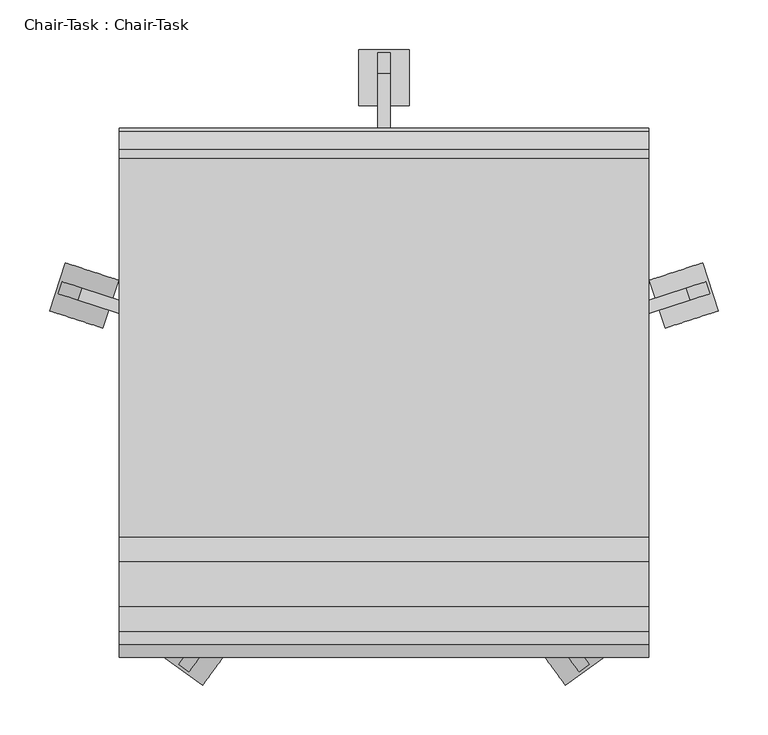
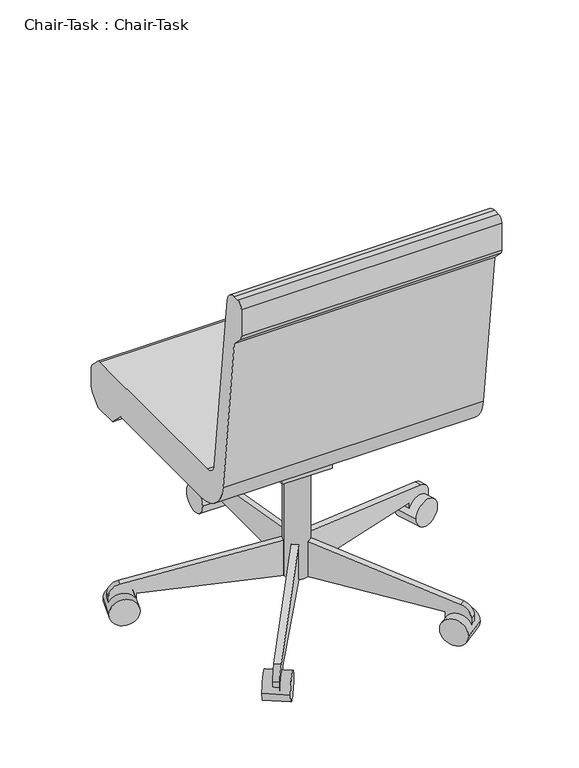
"""IFC4 building model written with IfcOpenShell, lengths in millimetres: furniture geometry, Chair-Task : Chair-Task."""

from ifc_helpers import new_model, si_unit, point, frame, frame_2d, origin, place, context, project, spatial, polyline, circle_curve, trimmed, segment, composite_curve, outline, extrude, source, transform, mapped, element, save


def chair_task_chair_task_b7f3823b(model_context):
    return source(origin(), model_context, "Body", "SweptSolid", [
        extrude(outline(composite_curve([segment(trimmed(circle_curve(frame_2d((140.9908197, 18.9459016)), 25.4), [point((115.5908197, 18.9459016))], [point((166.3908197, 18.9459016))], False, "CARTESIAN"), True, "CONTINUOUS"), segment(trimmed(circle_curve(frame_2d((140.9908197, 18.9459016)), 25.4), [point((166.3908197, 18.9459016))], [point((115.5908197, 18.9459016))], False, "CARTESIAN"), True, "CONTINUOUS")], self_intersect=False)), frame((0.0, 0.0, 53.5835944), z_axis=(0.0, 0.0, 1.0), x_axis=(1.0, 0.0, 0.0)), (0.0, 0.0, 1.0), 330.5914056),
        extrude(outline(composite_curve([segment(trimmed(circle_curve(frame_2d((0.0, -28.2002727)), 28.2002727), [point((0.0, -56.4005455))], [point((0.0, 0.0))], False, "CARTESIAN"), True, "CONTINUOUS"), segment(trimmed(circle_curve(frame_2d((0.0, -28.2002727)), 28.2002727), [point((0.0, 0.0))], [point((0.0, -56.4005455))], False, "CARTESIAN"), True, "CONTINUOUS")], self_intersect=False)), frame((477.6203484, 101.6163254, 28.1835944), z_axis=(-0.3090169943749423, 0.9510565162951553, 0.0), x_axis=(0.0, 0.0, 1.0)), (0.0, 0.0, 1.0), 50.8),
        extrude(outline(composite_curve([segment(polyline([(-25.4, 0.0), (0.0, 0.0), (0.0, -50.8), (-24.303053, -50.8)]), True, "CONTINUOUS"), segment(trimmed(circle_curve(frame_2d((-24.303053, -25.4)), 25.4), [point((-24.303053, -50.8))], [point((-49.3171699, -29.8106637))], False, "CARTESIAN"), True, "CONTINUOUS"), segment(polyline([(-49.3171699, -29.8106637), (-101.6, 266.7), (-101.6, 292.1), (-25.4, 292.1), (-25.4, 0.0)]), True, "CONTINUOUS")], self_intersect=False)), frame((420.756686, 103.1705568, 28.1835944), z_axis=(-0.3090169943749423, 0.9510565162951553, 0.0), x_axis=(0.0, 0.0, -1.0)), (0.0, 0.0, 1.0), 12.7),
        extrude(outline(composite_curve([segment(trimmed(circle_curve(frame_2d((0.0, -28.2002727)), 28.2002727), [point((0.0, -56.4005455))], [point((0.0, 0.0))], False, "CARTESIAN"), True, "CONTINUOUS"), segment(trimmed(circle_curve(frame_2d((0.0, -28.2002727)), 28.2002727), [point((0.0, 0.0))], [point((0.0, -56.4005455))], False, "CARTESIAN"), True, "CONTINUOUS")], self_intersect=False)), frame((323.63931, -275.6612394, 28.1835944), z_axis=(0.8090169943749499, 0.5877852522924699, 0.0), x_axis=(0.0, 0.0, 1.0)), (0.0, 0.0, 1.0), 50.8),
        extrude(outline(composite_curve([segment(polyline([(-25.4, 0.0), (0.0, 0.0), (0.0, -50.8), (-24.303053, -50.8)]), True, "CONTINUOUS"), segment(trimmed(circle_curve(frame_2d((-24.303053, -25.3999999)), 25.4), [point((-24.303053, -50.8))], [point((-49.3171699, -29.8106636))], False, "CARTESIAN"), True, "CONTINUOUS"), segment(polyline([(-49.3171699, -29.8106636), (-101.6, 266.7), (-101.6, 292.1), (-25.4, 292.1), (-25.4, 0.0)]), True, "CONTINUOUS")], self_intersect=False)), frame((307.545634, -221.1003988, 28.1835944), z_axis=(0.8090169943749499, 0.5877852522924699, 0.0), x_axis=(0.0, 0.0, -1.0)), (0.0, 0.0, 1.0), 12.7),
        extrude(outline(composite_curve([segment(trimmed(circle_curve(frame_2d((0.0, -28.2002727)), 28.2002727), [point((0.0, -56.4005455))], [point((0.0, 0.0))], False, "CARTESIAN"), True, "CONTINUOUS"), segment(trimmed(circle_curve(frame_2d((0.0, -28.2002727)), 28.2002727), [point((0.0, 0.0))], [point((0.0, -56.4005455))], False, "CARTESIAN"), True, "CONTINUOUS")], self_intersect=False)), frame((-41.6576707, -275.6612394, 28.1835944), z_axis=(-0.8090169943749458, 0.5877852522924754, 0.0), x_axis=(0.0, 0.0, -1.0)), (0.0, 0.0, 1.0), 50.8),
        extrude(outline(composite_curve([segment(polyline([(25.4, 0.0), (25.4, 292.1), (101.6, 292.1), (101.6, 266.7), (49.3171699, -29.8106637)]), True, "CONTINUOUS"), segment(trimmed(circle_curve(frame_2d((24.303053, -25.3999999)), 25.4), [point((49.3171699, -29.8106637))], [point((24.303053, -50.8))], False, "CARTESIAN"), True, "CONTINUOUS"), segment(polyline([(24.303053, -50.8), (0.0, -50.8), (0.0, 0.0), (25.4, 0.0)]), True, "CONTINUOUS")], self_intersect=False)), frame((-25.5639946, -221.1003988, 28.1835944), z_axis=(-0.8090169943749459, 0.5877852522924754, 0.0), x_axis=(0.0, 0.0, 1.0)), (0.0, 0.0, 1.0), 12.7),
        extrude(outline(composite_curve([segment(trimmed(circle_curve(frame_2d((0.0, -28.2002727)), 28.2002727), [point((0.0, -56.4005454))], [point((0.0, 0.0))], False, "CARTESIAN"), True, "CONTINUOUS"), segment(trimmed(circle_curve(frame_2d((0.0, -28.2002727)), 28.2002727), [point((0.0, 0.0))], [point((0.0, -56.4005454))], False, "CARTESIAN"), True, "CONTINUOUS")], self_intersect=False)), frame((-195.638709, 101.6163254, 28.1835944), z_axis=(0.3090169943749487, 0.9510565162951532, 0.0), x_axis=(0.0, 0.0, -1.0)), (0.0, 0.0, 1.0), 50.8),
        extrude(outline(composite_curve([segment(polyline([(25.4, 0.0), (25.4, 292.1000001), (101.6, 292.1000001), (101.6, 266.7), (49.3171699, -29.8106636)]), True, "CONTINUOUS"), segment(trimmed(circle_curve(frame_2d((24.303053, -25.4)), 25.4), [point((49.3171699, -29.8106636))], [point((24.303053, -50.8))], False, "CARTESIAN"), True, "CONTINUOUS"), segment(polyline([(24.303053, -50.8), (0.0, -50.8), (0.0, 0.0), (25.4, 0.0)]), True, "CONTINUOUS")], self_intersect=False)), frame((-138.7750467, 103.1705568, 28.1835944), z_axis=(0.3090169943749487, 0.9510565162951532, 0.0), x_axis=(0.0, 0.0, 1.0)), (0.0, 0.0, 1.0), 12.7),
        extrude(outline(composite_curve([segment(trimmed(circle_curve(frame_2d((336.4459016, 28.1835944)), 28.2002727), [point((308.2456289, 28.1835944))], [point((364.6461744, 28.1835944))], False, "CARTESIAN"), True, "CONTINUOUS"), segment(trimmed(circle_curve(frame_2d((336.4459016, 28.1835944)), 28.2002727), [point((364.6461744, 28.1835944))], [point((308.2456289, 28.1835944))], False, "CARTESIAN"), True, "CONTINUOUS")], self_intersect=False)), frame((115.5908197, 0.0, 0.0), z_axis=(1.0, 0.0, 0.0), x_axis=(0.0, 1.0, 0.0)), (0.0, 0.0, 1.0), 50.8),
        extrude(outline(composite_curve([segment(polyline([(311.0459016, 53.5835944), (18.9459016, 53.5835944), (18.9459016, 129.7835944), (44.3459016, 129.7835944), (340.8565654, 77.5007643)]), True, "CONTINUOUS"), segment(trimmed(circle_curve(frame_2d((336.4459016, 52.4866474)), 25.4), [point((340.8565654, 77.5007643))], [point((361.8459016, 52.4866474))], False, "CARTESIAN"), True, "CONTINUOUS"), segment(polyline([(361.8459016, 52.4866474), (361.8459016, 28.1835944), (311.0459016, 28.1835944), (311.0459016, 53.5835944)]), True, "CONTINUOUS")], self_intersect=False)), frame((134.6408197, 0.0, 0.0), z_axis=(1.0, 0.0, 0.0), x_axis=(0.0, 1.0, 0.0)), (0.0, 0.0, 1.0), 12.7),
        extrude(outline(polyline([(69.7459016, 383.7835944), (69.7459016, 371.0835944), (18.9459016, 283.0954134), (-19.1540984, 283.0954134), (-19.1540984, 383.7835944), (69.7459016, 383.7835944)])), frame((90.1908197, 0.0, 0.0), z_axis=(1.0, 0.0, 0.0), x_axis=(0.0, 1.0, 0.0)), (0.0, 0.0, 1.0), 101.6),
        extrude(outline(composite_curve([segment(polyline([(-126.2050455, 457.2), (255.0102301, 457.2)]), True, "CONTINUOUS"), segment(trimmed(circle_curve(frame_2d((255.0102301, 444.5)), 12.7), [point((255.0102301, 457.2))], [point((263.9604301, 453.510212))], False, "CARTESIAN"), True, "CONTINUOUS"), segment(polyline([(263.9604301, 453.510212), (281.8961016, 435.6939999)]), True, "CONTINUOUS"), segment(trimmed(circle_curve(frame_2d((272.9459016, 426.6837879)), 12.7), [point((281.8961016, 435.6939999))], [point((285.6459016, 426.6837879))], False, "CARTESIAN"), True, "CONTINUOUS"), segment(polyline([(285.6459016, 426.6837879), (285.6459016, 391.6405184)]), True, "CONTINUOUS"), segment(trimmed(circle_curve(frame_2d((260.2459016, 391.6405184)), 25.4), [point((285.6459016, 391.6405184))], [point((278.2663256, 373.7401184))], False, "CARTESIAN"), True, "CONTINUOUS"), segment(polyline([(278.2663256, 373.7401184), (260.2470284, 355.6), (209.4470284, 355.6), (181.0744602, 383.7835944), (-107.1089978, 383.7835944)]), True, "CONTINUOUS"), segment(trimmed(circle_curve(frame_2d((-107.1089978, 459.9835944)), 76.2), [point((-107.1089978, 383.7835944))], [point((-182.7870738, 451.0802913))], False, "CARTESIAN"), True, "CONTINUOUS"), segment(polyline([(-182.7870738, 451.0802913), (-222.3540984, 787.4), (-244.0343545, 809.0802561)]), True, "CONTINUOUS"), segment(trimmed(circle_curve(frame_2d((-235.0540984, 818.0605122)), 12.7), [point((-244.0343545, 809.0802561))], [point((-247.7540984, 818.0605122))], False, "CARTESIAN"), True, "CONTINUOUS"), segment(polyline([(-247.7540984, 818.0605122), (-247.7540984, 876.3)]), True, "CONTINUOUS"), segment(trimmed(circle_curve(frame_2d((-235.0540984, 876.3)), 12.7), [point((-247.7540984, 876.3))], [point((-235.0540984, 889.0))], False, "CARTESIAN"), True, "CONTINUOUS"), segment(polyline([(-235.0540984, 889.0), (-222.1789239, 889.0)]), True, "CONTINUOUS"), segment(trimmed(circle_curve(frame_2d((-222.1789239, 863.6)), 25.4), [point((-222.1789239, 889.0))], [point((-196.9528985, 866.5677677))], False, "CARTESIAN"), True, "CONTINUOUS"), segment(polyline([(-196.9528985, 866.5677677), (-151.4310708, 479.6322323)]), True, "CONTINUOUS"), segment(trimmed(circle_curve(frame_2d((-126.2050455, 482.6)), 25.4), [point((-151.4310708, 479.6322323))], [point((-126.2050455, 457.2))], True, "CARTESIAN"), True, "CONTINUOUS")], self_intersect=False)), frame((-125.7091803, 0.0, 0.0), z_axis=(1.0, 0.0, 0.0), x_axis=(0.0, 1.0, 0.0)), (0.0, 0.0, 1.0), 533.4),
    ])


if __name__ == "__main__":
    model = new_model("IFC4")
    model_context = context("Model", 3, world=origin())
    ifc_project = project(units=[si_unit("LENGTHUNIT", "METRE", prefix="MILLI")], contexts=[model_context])
    site = spatial("IfcSite", under=ifc_project)
    building = spatial("IfcBuilding", under=site)
    placement = place(None, origin())
    chair_task_chair_task_shape = chair_task_chair_task_b7f3823b(model_context)
    element("IfcFurniture", 1, ObjectType="Chair-Task : Chair-Task", at=placement, inside=building, context=model_context, shape_type="MappedRepresentation", body=[
        mapped(chair_task_chair_task_shape, transform((0.0, 0.0, 0.0), x_axis=(1.0, 0.0, 0.0), y_axis=(0.0, 1.0, 0.0), z_axis=(0.0, 0.0, 1.0))),
    ])
    save(model, "model.ifc")
